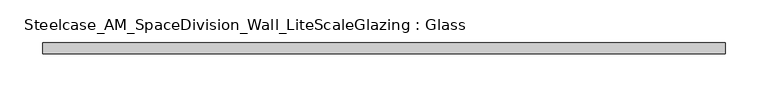
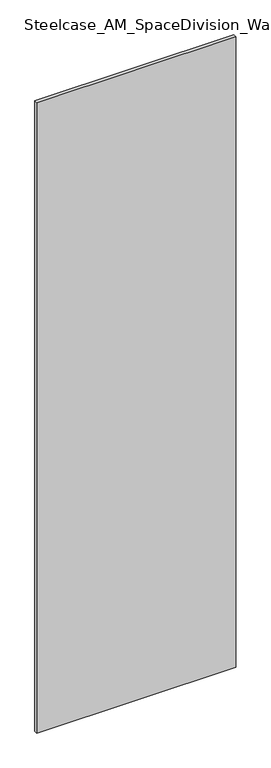
"""IFC4 building model written with IfcOpenShell, lengths in millimetres: plate geometry, Steelcase_AM_SpaceDivision_Wall_LiteScaleGlazing : Glass."""

from ifc_helpers import new_model, si_unit, origin, origin_with_axes, place, context, project, spatial, polyline, outline, extrude, source, transform, mapped, element, save


def steelcase_am_spacedivision_wall_litescaleglazing_glass_761dbac1(model_context):
    return source(origin(), model_context, "Body", "SweptSolid", [
        extrude(outline(polyline([(-398.018, -6.349956), (-398.018, 6.3502015), (398.018, 6.3502015), (398.018, -6.349956), (-398.018, -6.349956)])), origin_with_axes(), (0.0, 0.0, 1.0), 2665.984),
    ])


if __name__ == "__main__":
    model = new_model("IFC4")
    model_context = context("Model", 3, world=origin())
    ifc_project = project(units=[si_unit("LENGTHUNIT", "METRE", prefix="MILLI")], contexts=[model_context])
    site = spatial("IfcSite", under=ifc_project)
    building = spatial("IfcBuilding", under=site)
    placement = place(None, origin())
    steelcase_am_spacedivision_wall_litescaleglazing_glass_shape = steelcase_am_spacedivision_wall_litescaleglazing_glass_761dbac1(model_context)
    element("IfcPlate", 1, ObjectType="Steelcase_AM_SpaceDivision_Wall_LiteScaleGlazing : Glass", at=placement, inside=building, context=model_context, shape_type="MappedRepresentation", body=[
        mapped(steelcase_am_spacedivision_wall_litescaleglazing_glass_shape, transform((0.0, 0.0, 0.0), x_axis=(1.0, 0.0, 0.0), y_axis=(0.0, 1.0, 0.0), z_axis=(0.0, 0.0, 1.0))),
    ])
    save(model, "model.ifc")
